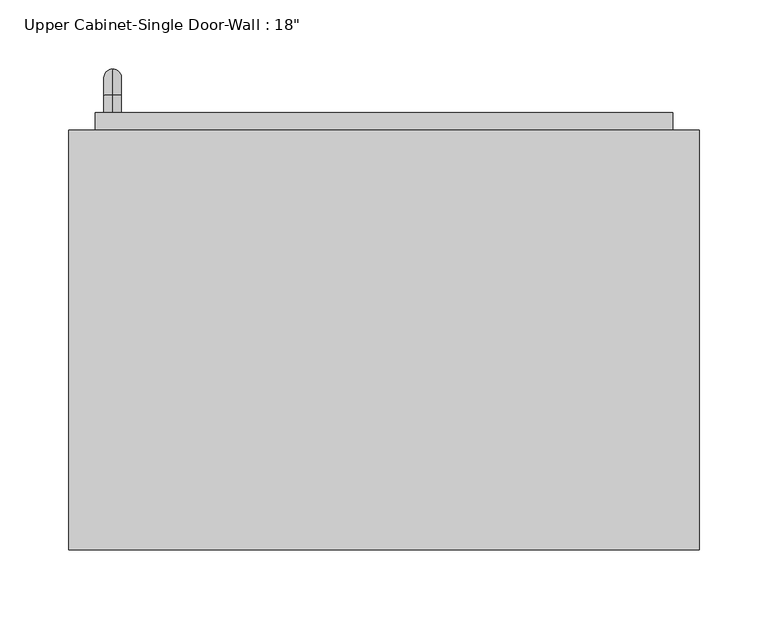
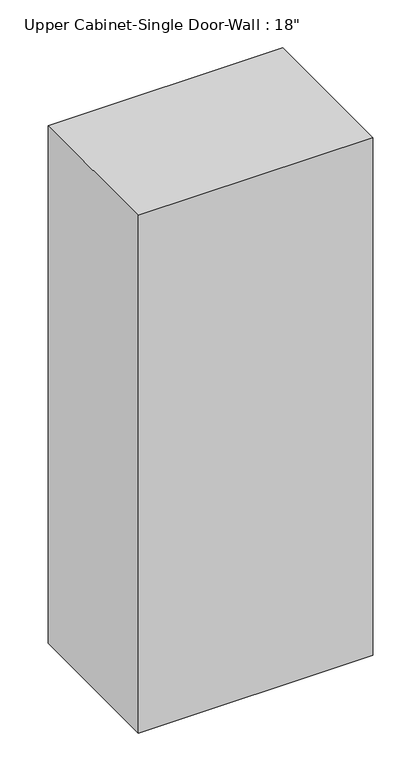
"""IFC4 building model written with IfcOpenShell, lengths in millimetres: furniture geometry."""

from ifc_helpers import new_model, si_unit, point, frame, origin, place, context, project, spatial, polyline, circle_curve, ellipse_curve, trimmed, outline, extrude, faceted_brep, source, transform, mapped, element, save
from ifc_brep_helpers import plane_surface, cylinder_surface, revolved_surface, advanced_brep


def furniture_c4635594(model_context):
    return source(origin(), model_context, "Body", "SolidModel", [
        faceted_brep([(-198.8288372, 53.975, 2133.6), (-198.8288372, 53.975, 1066.8), (258.3711628, 53.975, 1066.8), (258.3711628, 53.975, 2133.6), (-198.8288372, 358.775, 2133.6), (258.3711628, 358.775, 2133.6), (258.3711628, 358.775, 1066.8), (-198.8288372, 358.775, 1066.8), (-179.7788372, 358.775, 2114.55), (-179.7788372, 358.775, 1085.85), (239.3211628, 358.775, 1085.85), (239.3211628, 358.775, 2114.55), (239.3211628, 73.025, 2114.55), (-179.7788372, 73.025, 2114.55), (239.3211628, 73.025, 1085.85), (-179.7788372, 73.025, 1085.85)], [[[0, 1, 2, 3]], [[4, 5, 6, 7], [8, 9, 10, 11]], [[1, 0, 4, 7]], [[2, 1, 7, 6]], [[3, 2, 6, 5]], [[0, 3, 5, 4]], [[8, 11, 12, 13]], [[11, 10, 14, 12]], [[10, 9, 15, 14]], [[9, 8, 13, 15]], [[13, 12, 14, 15]]]),
        advanced_brep(
        [(-167.0788372, 371.475, 1212.85), (-167.0788372, 371.475, 1225.55), (-167.0788372, 384.175, 1212.85), (-167.0788372, 384.175, 1225.55), (-167.0788372, 403.225, 1206.5), (-167.0788372, 390.525, 1206.5), (-167.0788372, 390.525, 1130.3), (-167.0788372, 403.225, 1130.3), (-167.0788372, 384.175, 1111.25), (-167.0788372, 384.175, 1123.95), (-167.0788372, 371.475, 1123.95), (-167.0788372, 371.475, 1111.25)],
        [
            (0, 1, circle_curve(frame((-167.0788372, 371.475, 1219.2), z_axis=(0.0, -1.0, 0.0), x_axis=(0.0, 0.0, 1.0)), 6.35)),
            (1, 0, circle_curve(frame((-167.0788372, 371.475, 1219.2), z_axis=(0.0, -1.0, 0.0), x_axis=(0.0, 0.0, 1.0)), 6.35)),
            (0, 2),
            (2, 3, circle_curve(frame((-167.0788372, 384.175, 1219.2), z_axis=(0.0, -1.0, 0.0), x_axis=(0.0, 0.0, 1.0)), 6.35)),
            (3, 1),
            (3, 2, circle_curve(frame((-167.0788372, 384.175, 1219.2), z_axis=(0.0, -1.0, 0.0), x_axis=(0.0, 0.0, 1.0)), 6.35)),
            (4, 3, circle_curve(frame((-167.0788372, 384.175, 1206.5), z_axis=(1.0, 0.0, 0.0), x_axis=(0.0, 0.0, 1.0)), 19.05)),
            (2, 5, circle_curve(frame((-167.0788372, 384.175, 1206.5), z_axis=(-1.0, 0.0, 0.0), x_axis=(0.0, 0.0, 1.0)), 6.35)),
            (5, 4, circle_curve(frame((-167.0788372, 396.875, 1206.5), z_axis=(0.0, 0.0, 1.0), x_axis=(0.0, 1.0, 0.0)), 6.35)),
            (4, 5, circle_curve(frame((-167.0788372, 396.875, 1206.5), z_axis=(0.0, 0.0, 1.0), x_axis=(0.0, 1.0, 0.0)), 6.35)),
            (5, 6),
            (6, 7, circle_curve(frame((-167.0788372, 396.875, 1130.3), z_axis=(0.0, 0.0, 1.0), x_axis=(0.0, 1.0, 0.0)), 6.35)),
            (7, 4),
            (7, 6, circle_curve(frame((-167.0788372, 396.875, 1130.3), z_axis=(0.0, 0.0, 1.0), x_axis=(0.0, 1.0, 0.0)), 6.35)),
            (8, 7, circle_curve(frame((-167.0788372, 384.175, 1130.3), z_axis=(1.0, 0.0, 0.0), x_axis=(0.0, 1.0, 0.0)), 19.05)),
            (6, 9, circle_curve(frame((-167.0788372, 384.175, 1130.3), z_axis=(-1.0, 0.0, 0.0), x_axis=(0.0, 1.0, 0.0)), 6.35)),
            (9, 8, circle_curve(frame((-167.0788372, 384.175, 1117.6), z_axis=(0.0, 1.0, 0.0), x_axis=(0.0, 0.0, -1.0)), 6.35)),
            (8, 9, circle_curve(frame((-167.0788372, 384.175, 1117.6), z_axis=(0.0, 1.0, 0.0), x_axis=(0.0, 0.0, -1.0)), 6.35)),
            (10, 11, circle_curve(frame((-167.0788372, 371.475, 1117.6), z_axis=(0.0, -1.0, 0.0), x_axis=(0.0, 0.0, -1.0)), 6.35)),
            (11, 10, circle_curve(frame((-167.0788372, 371.475, 1117.6), z_axis=(0.0, -1.0, 0.0), x_axis=(0.0, 0.0, -1.0)), 6.35)),
            (9, 10),
            (11, 8),
        ],
        [
            plane_surface(frame((-173.4288372, 371.475, 1219.2), z_axis=(0.0, -1.0, 0.0), x_axis=(0.0, 0.0, 1.0))),
            cylinder_surface(frame((-167.0788372, 371.475, 1219.2), z_axis=(0.0, -1.0, 0.0), x_axis=(0.0, 0.0, 1.0)), 6.35),
            revolved_surface(trimmed(ellipse_curve(frame((-167.0788372, 384.175, 1219.2), z_axis=(0.0, -1.0, 0.0), x_axis=(0.0, 0.0, 1.0)), 6.35, 6.35), [point((-167.0788372, 384.175, 1212.85))], [point((-167.0788372, 384.175, 1225.55))], True, "CARTESIAN"), (-167.0788372, 384.175, 1206.5), (-1.0, 0.0, 0.0)),
            revolved_surface(trimmed(ellipse_curve(frame((-167.0788372, 384.175, 1219.2), z_axis=(0.0, -1.0, 0.0), x_axis=(0.0, 0.0, 1.0)), 6.35, 6.35), [point((-167.0788372, 384.175, 1225.55))], [point((-167.0788372, 384.175, 1212.85))], True, "CARTESIAN"), (-167.0788372, 384.175, 1206.5), (-1.0, 0.0, 0.0)),
            cylinder_surface(frame((-167.0788372, 396.875, 1206.5), z_axis=(0.0, 0.0, 1.0), x_axis=(0.0, 1.0, 0.0)), 6.35),
            revolved_surface(trimmed(ellipse_curve(frame((-167.0788372, 396.875, 1130.3), z_axis=(0.0, 0.0, 1.0), x_axis=(0.0, 1.0, 0.0)), 6.35, 6.35), [point((-167.0788372, 390.525, 1130.3))], [point((-167.0788372, 403.225, 1130.3))], True, "CARTESIAN"), (-167.0788372, 384.175, 1130.3), (-1.0, 0.0, 0.0)),
            revolved_surface(trimmed(ellipse_curve(frame((-167.0788372, 396.875, 1130.3), z_axis=(0.0, 0.0, 1.0), x_axis=(0.0, 1.0, 0.0)), 6.35, 6.35), [point((-167.0788372, 403.225, 1130.3))], [point((-167.0788372, 390.525, 1130.3))], True, "CARTESIAN"), (-167.0788372, 384.175, 1130.3), (-1.0, 0.0, 0.0)),
            plane_surface(frame((-173.4288372, 371.475, 1117.6), z_axis=(0.0, -1.0, 0.0), x_axis=(0.0, 0.0, -1.0))),
            cylinder_surface(frame((-167.0788372, 384.175, 1117.6), z_axis=(0.0, 1.0, 0.0), x_axis=(0.0, 0.0, -1.0)), 6.35),
        ],
        [
            (0, [[1, 2]]),
            (1, [[-1, 3, 4, 5]]),
            (1, [[-2, -5, 6, -3]]),
            (2, [[7, -4, 8, 9]]),
            (3, [[-8, -6, -7, 10]]),
            (4, [[-9, 11, 12, 13]]),
            (4, [[-10, -13, 14, -11]]),
            (5, [[15, -12, 16, 17]]),
            (6, [[-16, -14, -15, 18]]),
            (7, [[19, 20]]),
            (8, [[-17, 21, -20, 22]]),
            (8, [[-18, -22, -19, -21]]),
        ],
    ),
        extrude(outline(polyline([(-179.7788372, 371.475), (239.3211628, 371.475), (239.3211628, 339.725), (-179.7788372, 339.725), (-179.7788372, 371.475)])), frame((0.0, 0.0, 1085.85), z_axis=(0.0, 0.0, 1.0), x_axis=(1.0, 0.0, 0.0)), (0.0, 0.0, 1.0), 1028.7),
    ])


if __name__ == "__main__":
    model = new_model("IFC4")
    model_context = context("Model", 3, world=origin())
    ifc_project = project(units=[si_unit("LENGTHUNIT", "METRE", prefix="MILLI")], contexts=[model_context])
    site = spatial("IfcSite", under=ifc_project)
    building = spatial("IfcBuilding", under=site)
    placement = place(None, origin())
    furniture_shape = furniture_c4635594(model_context)
    element("IfcFurniture", 1, ObjectType="Upper Cabinet-Single Door-Wall : 18\"", at=placement, inside=building, context=model_context, shape_type="MappedRepresentation", body=[
        mapped(furniture_shape, transform((0.0, 0.0, 0.0), x_axis=(1.0, 0.0, 0.0), y_axis=(0.0, 1.0, 0.0), z_axis=(0.0, 0.0, 1.0))),
    ])
    save(model, "model.ifc")
